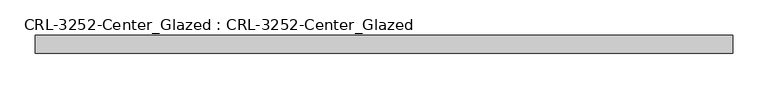
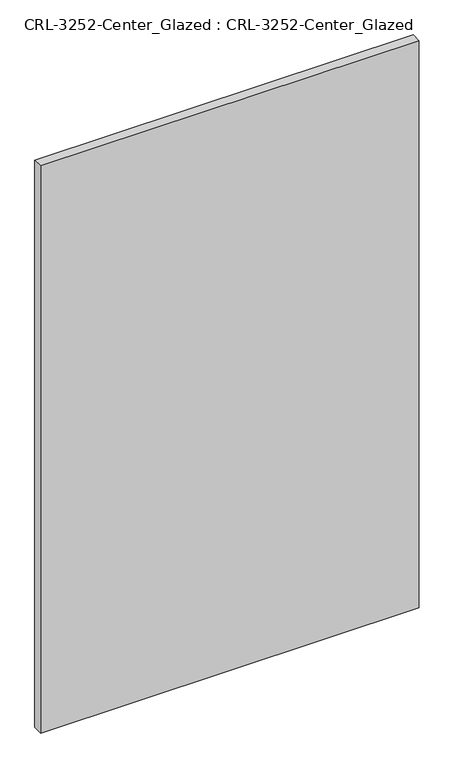
"""IFC4 building model written with IfcOpenShell, lengths in millimetres: plate geometry, CRL-3252-Center_Glazed : CRL-3252-Center_Glazed."""

import ifcopenshell
import ifcopenshell.guid

model = None  # the IFC model being written
_history = None  # IfcOwnerHistory: only IFC2X3 demands one
_inside = {}  # id of a spatial element -> (the spatial element, [elements in it])
_under = {}  # id of a project, library or spatial element -> (it, [spatial elements below it])
_declared = {}  # id of a project -> (the project, [libraries it declares])
_typed = {}  # id of a type object -> (the type object, [elements of that type])
_made_of = {}  # id of a material, layer set ... -> (it, [elements and type objects made of it])


def new_model(schema):
    """Start an empty IFC model of exactly this schema.

    Asked for "IFC4X3", IfcOpenShell would pick the latest addendum, in which some entities
    have other attributes; the version numbers below select the first issue.
    IFC2X3 requires an IfcOwnerHistory on every rooted entity: one is made here for all.
    """
    global model, _history
    if schema == "IFC4X3":
        model = ifcopenshell.file(schema_version=(4, 3, 0, 0))
    else:
        model = ifcopenshell.file(schema=schema)
    _inside.clear()
    _under.clear()
    _declared.clear()
    _typed.clear()
    _made_of.clear()
    _history = None
    if model.schema == "IFC2X3":
        org = make("IfcOrganization", Name="unknown")
        user = make(
            "IfcPersonAndOrganization",
            ThePerson=make("IfcPerson", FamilyName="unknown"),
            TheOrganization=org,
        )
        app = make(
            "IfcApplication",
            ApplicationDeveloper=org,
            Version="unknown",
            ApplicationFullName="unknown",
            ApplicationIdentifier="unknown",
        )
        _history = make(
            "IfcOwnerHistory",
            OwningUser=user,
            OwningApplication=app,
            ChangeAction="ADDED",
            CreationDate=0,
        )
    return model


def make(cls, **values):
    """One entity of the class cls with the attributes given. An attribute that is None is left unset."""
    return model.create_entity(
        cls, **{name: value for name, value in values.items() if value is not None}
    )


def rooted(cls, **values):
    """An entity with a GlobalId (a new one), such as an element, a storey or a relation."""
    return make(cls, GlobalId=ifcopenshell.guid.new(), OwnerHistory=_history, **values)


def si_unit(unit_type, name, prefix=None):
    """IfcSIUnit, for example si_unit("LENGTHUNIT", "METRE", prefix="MILLI")."""
    return make("IfcSIUnit", UnitType=unit_type, Prefix=prefix, Name=name)


def assignment(units):
    """IfcUnitAssignment: the units of a project."""
    return None if units is None else make("IfcUnitAssignment", Units=units)


def point(xyz):
    """IfcCartesianPoint."""
    return None if xyz is None else make("IfcCartesianPoint", Coordinates=xyz)


def direction(xyz):
    """IfcDirection."""
    return None if xyz is None else make("IfcDirection", DirectionRatios=xyz)


def frame(location, z_axis=None, x_axis=None):
    """IfcAxis2Placement3D, a coordinate frame: its origin and axes. An axis left out is left unset."""
    return make(
        "IfcAxis2Placement3D",
        Location=point(location),
        Axis=direction(z_axis),
        RefDirection=direction(x_axis),
    )


def origin():
    """The frame at (0, 0, 0) with its axes left unset."""
    return frame((0.0, 0.0, 0.0))


def origin_with_axes():
    """The frame at (0, 0, 0) with the z axis (0, 0, 1) and the x axis (1, 0, 0) written out."""
    return frame((0.0, 0.0, 0.0), z_axis=(0.0, 0.0, 1.0), x_axis=(1.0, 0.0, 0.0))


def place(relative_to, where):
    """IfcLocalPlacement: puts the frame where relative to a parent placement (None: the world)."""
    return make(
        "IfcLocalPlacement", PlacementRelTo=relative_to, RelativePlacement=where
    )


def context(
    kind, dimensions, precision=None, world=None, true_north=None, identifier=None
):
    """IfcGeometricRepresentationContext, for example the 3D "Model" context."""
    return make(
        "IfcGeometricRepresentationContext",
        ContextIdentifier=identifier,
        ContextType=kind,
        CoordinateSpaceDimension=dimensions,
        Precision=precision,
        WorldCoordinateSystem=world,
        TrueNorth=true_north,
    )


def project(units=None, contexts=None):
    """IfcProject with its units and contexts."""
    return rooted(
        "IfcProject",
        Name="project",
        RepresentationContexts=contexts,
        UnitsInContext=assignment(units),
    )


def spatial(cls, under=None, at=None, **own):
    """A site, building, storey or space (cls), placed at a placement, below another one or the project."""
    s = rooted(cls, ObjectPlacement=at, **own)
    if under is not None:
        _under.setdefault(under.id(), (under, []))[1].append(s)
    return s


def polyline(points):
    """IfcPolyline through the points."""
    return make("IfcPolyline", Points=[point(p) for p in points])


def outline(outer, holes=None, kind="AREA"):
    """IfcArbitraryClosedProfileDef: a profile drawn as a closed curve; with holes, ...WithVoids."""
    if holes is None:
        return make("IfcArbitraryClosedProfileDef", ProfileType=kind, OuterCurve=outer)
    return make(
        "IfcArbitraryProfileDefWithVoids",
        ProfileType=kind,
        OuterCurve=outer,
        InnerCurves=holes,
    )


def extrude(swept, where, along, depth):
    """IfcExtrudedAreaSolid: the profile swept, set in the frame where, extruded along a direction by depth."""
    return make(
        "IfcExtrudedAreaSolid",
        SweptArea=swept,
        Position=where,
        ExtrudedDirection=direction(along),
        Depth=depth,
    )


def shape(context_of_items, identifier, shape_type, items):
    """IfcShapeRepresentation: the items that make up one representation, for example the "Body"."""
    return make(
        "IfcShapeRepresentation",
        ContextOfItems=context_of_items,
        RepresentationIdentifier=identifier,
        RepresentationType=shape_type,
        Items=items,
    )


def source(mapping_origin, context_of_items, identifier, shape_type, items):
    """IfcRepresentationMap: a shape defined once, which mapped items show again and again."""
    return make(
        "IfcRepresentationMap",
        MappingOrigin=mapping_origin,
        MappedRepresentation=shape(context_of_items, identifier, shape_type, items),
    )


def transform(
    local_origin,
    x_axis=None,
    y_axis=None,
    z_axis=None,
    scale=None,
    scale2=None,
    scale3=None,
    uniform=True,
):
    """IfcCartesianTransformationOperator3D, or its non-uniform kind. x_axis, y_axis, z_axis: its Axis1, 2, 3."""
    if uniform:
        return make(
            "IfcCartesianTransformationOperator3D",
            Axis1=direction(x_axis),
            Axis2=direction(y_axis),
            LocalOrigin=point(local_origin),
            Scale=scale,
            Axis3=direction(z_axis),
        )
    return make(
        "IfcCartesianTransformationOperator3DnonUniform",
        Axis1=direction(x_axis),
        Axis2=direction(y_axis),
        LocalOrigin=point(local_origin),
        Scale=scale,
        Axis3=direction(z_axis),
        Scale2=scale2,
        Scale3=scale3,
    )


def mapped(mapping_source, mapping_target):
    """IfcMappedItem: shows the shape of a source again, moved by a transform."""
    return make(
        "IfcMappedItem", MappingSource=mapping_source, MappingTarget=mapping_target
    )


def made_of(thing, what):
    """Note that an element or type object is made of a material, layer set ...; save() writes the relation."""
    if what is not None:
        _made_of.setdefault(what.id(), (what, []))[1].append(thing)
    return thing


def element(
    cls,
    number,
    at=None,
    inside=None,
    cuts=None,
    type_object=None,
    material=None,
    context=None,
    identifier="Body",
    shape_type=None,
    held_by="IfcProductDefinitionShape",
    body=None,
    shapes=None,
    **own,
):
    """One element of the class cls, such as IfcWall. Its Tag is "e" and its number.

    at: its placement. inside: the storey or other place that contains it. cuts: it is an
    opening in that element (IfcRelVoidsElement). A single representation is given by context,
    identifier, shape_type and body (its items); several are given by shapes. held_by: the class
    of the entity that holds the representations. save() writes the other relations.
    """
    e = rooted(cls, Tag="e%d" % number, ObjectPlacement=at, **own)
    if body is not None:
        shapes = [shape(context, identifier, shape_type, body)]
    if shapes is not None:
        e.Representation = make(held_by, Representations=shapes)
    if inside is not None:
        _inside.setdefault(inside.id(), (inside, []))[1].append(e)
    if cuts is not None:
        rooted(
            "IfcRelVoidsElement", RelatingBuildingElement=cuts, RelatedOpeningElement=e
        )
    if type_object is not None:
        _typed.setdefault(type_object.id(), (type_object, []))[1].append(e)
    return made_of(e, material)


def aggregate(whole, parts):
    """IfcRelAggregates: a whole, such as a stair, and the parts it consists of."""
    return rooted("IfcRelAggregates", RelatingObject=whole, RelatedObjects=parts)


def save(model, path):
    """Write the relations noted so far, then the file.

    IfcRelAggregates (storeys below a building ...), IfcRelContainedInSpatialStructure (elements
    in a storey), IfcRelDefinesByType, IfcRelAssociatesMaterial and IfcRelDeclares: one each for
    every whole, place, type object, material and project.
    """
    for whole, parts in _under.values():
        aggregate(whole, parts)
    for where, things in _inside.values():
        rooted(
            "IfcRelContainedInSpatialStructure",
            RelatedElements=things,
            RelatingStructure=where,
        )
    for kind, things in _typed.values():
        rooted("IfcRelDefinesByType", RelatedObjects=things, RelatingType=kind)
    for what, things in _made_of.values():
        rooted("IfcRelAssociatesMaterial", RelatedObjects=things, RelatingMaterial=what)
    for by, libraries in _declared.values():
        rooted("IfcRelDeclares", RelatingContext=by, RelatedDefinitions=libraries)
    model.write(path)


def crl_3252_center_glazed_crl_3252_center_glazed_3d70ec98(model_context):
    return source(origin(), model_context, "Body", "SweptSolid", [
        extrude(outline(polyline([(492.5415589, 12.7), (492.5415589, -12.7), (-492.5415589, -12.7), (-492.5415589, 12.7), (492.5415589, 12.7)])), origin_with_axes(), (0.0, 0.0, 1.0), 1559.5661691),
    ])


if __name__ == "__main__":
    model = new_model("IFC4")
    model_context = context("Model", 3, world=origin())
    ifc_project = project(units=[si_unit("LENGTHUNIT", "METRE", prefix="MILLI")], contexts=[model_context])
    site = spatial("IfcSite", under=ifc_project)
    building = spatial("IfcBuilding", under=site)
    placement = place(None, origin())
    crl_3252_center_glazed_crl_3252_center_glazed_shape = crl_3252_center_glazed_crl_3252_center_glazed_3d70ec98(model_context)
    element("IfcPlate", 1, ObjectType="CRL-3252-Center_Glazed : CRL-3252-Center_Glazed", at=placement, inside=building, context=model_context, shape_type="MappedRepresentation", body=[
        mapped(crl_3252_center_glazed_crl_3252_center_glazed_shape, transform((0.0, 0.0, 0.0), x_axis=(1.0, 0.0, 0.0), y_axis=(0.0, 1.0, 0.0), z_axis=(0.0, 0.0, 1.0))),
    ])
    save(model, "model.ifc")
